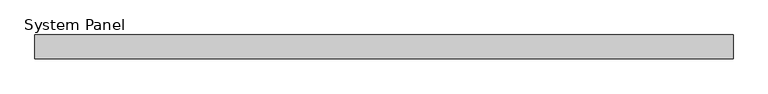
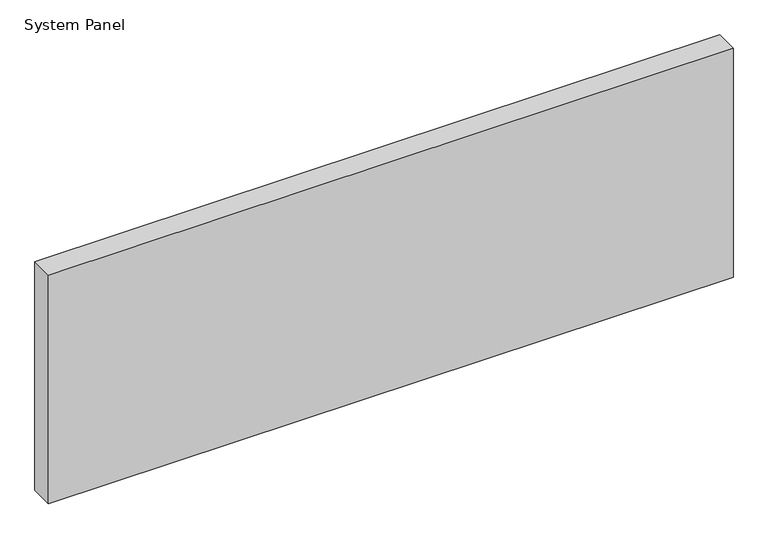
"""IFC4 building model written with IfcOpenShell, lengths in millimetres: plate geometry, System Panel."""

from ifc_helpers import new_model, si_unit, origin, origin_with_axes, place, context, project, spatial, polyline, outline, extrude, source, transform, mapped, element, save


def system_panel_4605b331(model_context):
    return source(origin(), model_context, "Body", "SweptSolid", [
        extrude(outline(polyline([(587.5, -54.0), (-587.5, -54.0), (-587.5, -14.0), (587.5, -14.0), (587.5, -54.0)])), origin_with_axes(), (0.0, 0.0, 1.0), 415.0),
    ])


if __name__ == "__main__":
    model = new_model("IFC4")
    model_context = context("Model", 3, world=origin())
    ifc_project = project(units=[si_unit("LENGTHUNIT", "METRE", prefix="MILLI")], contexts=[model_context])
    site = spatial("IfcSite", under=ifc_project)
    building = spatial("IfcBuilding", under=site)
    placement = place(None, origin())
    system_panel_shape = system_panel_4605b331(model_context)
    element("IfcPlate", 1, ObjectType="System Panel", at=placement, inside=building, context=model_context, shape_type="MappedRepresentation", body=[
        mapped(system_panel_shape, transform((0.0, 0.0, 0.0), x_axis=(1.0, 0.0, 0.0), y_axis=(0.0, 1.0, 0.0), z_axis=(0.0, 0.0, 1.0))),
    ])
    save(model, "model.ifc")
